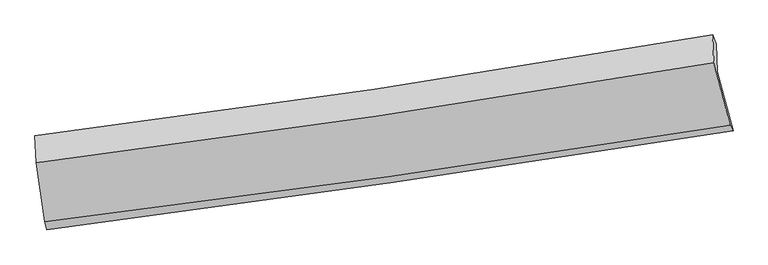
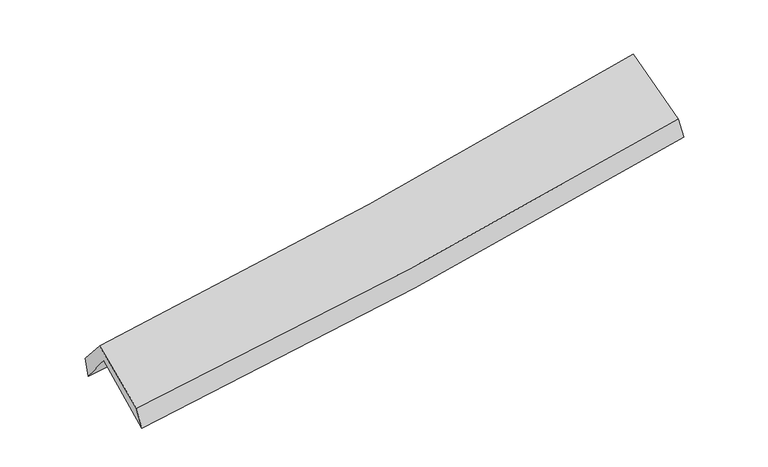
"""IFC4 building model written with IfcOpenShell, lengths in millimetres: proxy geometry."""

from ifc_helpers import new_model, si_unit, frame, origin, place, context, project, spatial, source, transform, mapped, element, save
from ifc_brep_helpers import plane_surface, spline_curve, spline_surface, advanced_brep


def generic_models_48a8f82c(model_context):
    return source(origin(), model_context, "Body", "AdvancedBrep", [
        advanced_brep(
        [(-2950.5574757, -2545.4997208, 1461.3722591), (-3030.1433212, -2003.4000956, 1898.3299103), (2967.7228738, -1152.3969235, 2397.6184214), (3105.3932439, -1670.8157508, 1968.2656167), (-3041.0286533, -1753.2142335, 1578.6672723), (2958.2314376, -907.0121245, 2072.8515947), (-3053.8518751, -1714.4395873, 1753.7586432), (2924.1957258, -825.4157767, 2257.7183472), (-3041.9823682, -1953.2446878, 2029.0395149), (2935.6243041, -1071.559127, 2565.3956759), (-2967.256447, -2474.1398128, 1644.4110086), (3078.5396901, -1623.2246727, 2142.49769)],
        [
            (0, 1),
            (1, 2, spline_curve(3, [(-3030.1433212, -2003.4000956, 1898.3299103), (-2024.511533938, -1884.825671824, 1939.199634806), (-1022.134560236, -1754.664913711, 2001.208873723), (977.161024577, -1471.021584844, 2167.59386843), (1974.072782578, -1317.514618707, 2272.014133301), (2967.7228738, -1152.3969235, 2397.6184214)], [4, 2, 4], [0.0, 10.018674729436686, 20.04789099215368])),
            (2, 3),
            (3, 0, spline_curve(3, [(3105.3932439, -1670.8157508, 1968.2656167), (2100.39175876, -1829.70708958, 1852.683735026), (1092.961819206, -1982.077989996, 1752.637634265), (-925.693522764, -2273.625613542, 1583.705823649), (-1936.913823386, -2412.816036475, 1514.787471294), (-2950.5574757, -2545.4997208, 1461.3722591)], [4, 2, 4], [0.0, 10.029216262716993, 20.04789099215368])),
            (1, 4),
            (4, 5, spline_curve(3, [(-3041.0286533, -1753.2142335, 1578.6672723), (-2035.650818589, -1633.335184063, 1619.740207892), (-1033.284852088, -1502.921437911, 1681.426203714), (966.474852672, -1220.876248973, 1846.110910798), (1963.862249948, -1069.222625183, 1949.153022215), (2958.2314376, -907.0121245, 2072.8515947)], [4, 2, 4], [0.0, 9.969518139849706, 19.949526090986634])),
            (5, 2),
            (4, 6),
            (6, 7, spline_curve(3, [(-3053.8518751, -1714.4395873, 1753.7586432), (-2052.347823638, -1589.720057004, 1811.79706183), (-1053.685616506, -1453.320074722, 1882.78401827), (939.002900736, -1157.003397564, 2050.743323483), (1933.023226989, -997.062109803, 2147.742934808), (2924.1957258, -825.4157767, 2257.7183472)], [4, 2, 4], [0.0, 9.957319034798074, 19.925115045126606])),
            (7, 5),
            (6, 8),
            (8, 9, spline_curve(3, [(-3041.9823682, -1953.2446878, 2029.0395149), (-2041.105368287, -1825.969921708, 2095.459580778), (-1042.793557003, -1688.90252783, 2173.336430796), (949.747401243, -1395.027958959, 2352.097695818), (1943.971147642, -1238.200166133, 2453.006232689), (2935.6243041, -1071.559127, 2565.3956759)], [4, 2, 4], [0.0, 9.946084381268788, 19.902633917095976])),
            (9, 7),
            (8, 10),
            (10, 11, spline_curve(3, [(-2967.256447, -2474.1398128, 1644.4110086), (-1955.101917743, -2351.970939842, 1700.186377188), (-945.471895926, -2220.019340687, 1769.552309551), (1069.798798661, -1936.401558101, 1935.552588712), (2075.434155668, -1784.71477732, 2032.215549871), (3078.5396901, -1623.2246727, 2142.49769)], [4, 2, 4], [0.0, 9.995851070523864, 20.002219659539])),
            (11, 9),
            (10, 0),
            (3, 11),
        ],
        [
            spline_surface(3, 3, [[(-2950.5574757, -2545.4997208, 1461.3722591), (-1936.913823433, -2412.816036421, 1514.787471439), (-925.693522875, -2273.625613509, 1583.705823498), (1092.961819317, -1982.077990029, 1752.637634416), (2100.391758631, -1829.707089567, 1852.683734899), (3105.3932439, -1670.8157508, 1968.2656167)], [(-2977.086090852, -2364.799845725, 1607.024809521), (-1966.113060226, -2236.819248242, 1656.25819256), (-957.840535312, -2100.638713618, 1722.873506888), (1054.36155435, -1811.725854909, 1890.956379097), (2058.285433235, -1658.976265926, 1992.460534366), (3059.503120528, -1498.009475029, 2111.383218289)], [(-3003.614706048, -2184.099970675, 1752.677359879), (-1995.312297063, -2060.822460086, 1797.728913618), (-989.987547693, -1927.651813752, 1862.041190291), (1015.761289439, -1641.373719813, 2029.275123791), (2016.179107855, -1488.245442297, 2132.237333767), (3013.612997172, -1325.203199271, 2254.500819811)], [(-3030.1433212, -2003.4000956, 1898.3299103), (-2024.511533856, -1884.825671906, 1939.199634739), (-1022.13456013, -1754.664913862, 2001.208873682), (977.161024471, -1471.021584693, 2167.593868472), (1974.072782459, -1317.514618656, 2272.014133234), (2967.7228738, -1152.3969235, 2397.6184214)]], [4, 4], [4, 2, 4], [0.0, 2.2002168152403616], [0.0, 10.018674729436686, 20.04789099215368]),
            spline_surface(3, 3, [[(-3030.1433212, -2003.4000956, 1898.3299103), (-2024.511533856, -1884.825671906, 1939.199634739), (-1022.13456013, -1754.664913862, 2001.208873682), (977.161024471, -1471.021584693, 2167.593868472), (1974.072782459, -1317.514618656, 2272.014133234), (2967.7228738, -1152.3969235, 2397.6184214)], [(-3033.77176525, -1920.004808241, 1791.775697635), (-2028.224628811, -1800.99550925, 1832.713159087), (-1025.851324168, -1670.750421875, 1894.614650389), (973.598967258, -1387.639806085, 2060.432882574), (1970.669271659, -1234.750620827, 2164.393762893), (2964.559061741, -1070.601990485, 2289.362812481)], [(-3037.40020925, -1836.609520859, 1685.221484965), (-2031.937723716, -1717.165346572, 1726.22668343), (-1029.568088207, -1586.835929945, 1788.020427061), (970.036910043, -1304.258027535, 1953.271896642), (1967.265760835, -1151.986623044, 2056.77339261), (2961.395249659, -988.807057515, 2181.107203619)], [(-3041.0286533, -1753.2142335, 1578.6672723), (-2035.650818671, -1633.335183916, 1619.740207778), (-1033.284852245, -1502.921437958, 1681.426203768), (966.474852829, -1220.876248926, 1846.110910744), (1963.862250035, -1069.222625214, 1949.153022269), (2958.2314376, -907.0121245, 2072.8515947)]], [4, 4], [4, 2, 4], [0.0, 1.336304454681248], [0.0, 9.969518139849706, 19.949526090986634]),
            spline_surface(3, 3, [[(-3041.0286533, -1753.2142335, 1578.6672723), (-2035.650818671, -1633.335183916, 1619.740207778), (-1033.284852245, -1502.921437958, 1681.426203768), (966.474852829, -1220.876248926, 1846.110910744), (1963.862250035, -1069.222625214, 1949.153022269), (2958.2314376, -907.0121245, 2072.8515947)], [(-3045.303060575, -1740.289351451, 1637.031062576), (-2041.216487034, -1618.79680831, 1683.759159091), (-1040.08510697, -1486.387650241, 1748.545475288), (957.317535446, -1199.585298482, 1914.321714966), (1953.582575683, -1045.16912003, 2015.34965981), (2946.886200333, -879.813341899, 2134.473845555)], [(-3049.577467825, -1727.364469349, 1695.394852924), (-2046.782155372, -1604.258432649, 1747.778110475), (-1046.88536171, -1469.853862467, 1815.664746815), (948.160218048, -1178.29434798, 1982.532519196), (1943.302901331, -1021.115614848, 2081.546297286), (2935.540963067, -852.614559301, 2196.096096345)], [(-3053.8518751, -1714.4395873, 1753.7586432), (-2052.347823735, -1589.720057043, 1811.797061787), (-1053.685616435, -1453.32007475, 1882.784018335), (939.002900664, -1157.003397536, 2050.743323418), (1933.023226979, -997.062109664, 2147.742934827), (2924.1957258, -825.4157767, 2257.7183472)]], [4, 4], [4, 2, 4], [0.0, 0.6959773573664368], [0.0, 9.957319034798074, 19.925115045126606]),
            spline_surface(3, 3, [[(-3053.8518751, -1714.4395873, 1753.7586432), (-2052.347823735, -1589.720057043, 1811.797061787), (-1053.685616435, -1453.32007475, 1882.784018335), (939.002900664, -1157.003397536, 2050.743323418), (1933.023226979, -997.062109664, 2147.742934827), (2924.1957258, -825.4157767, 2257.7183472)], [(-3049.895372789, -1794.041287456, 1845.518933784), (-2048.600338586, -1668.470011947, 1906.351234764), (-1050.05492996, -1531.847559062, 1979.634822506), (942.584400909, -1236.344918017, 2151.194780871), (1936.672533831, -1077.441461834, 2249.497367412), (2928.005251912, -907.463560145, 2360.277456765)], [(-3045.938870511, -1873.642987644, 1937.279224316), (-2044.852853472, -1747.219966885, 2000.905407687), (-1046.424243558, -1610.375043436, 2076.485626672), (946.16590108, -1315.686438559, 2251.646238318), (1940.321840645, -1157.820813969, 2351.251800001), (2931.814777988, -989.511343555, 2462.836566335)], [(-3041.9823682, -1953.2446878, 2029.0395149), (-2041.105368323, -1825.96992179, 2095.459580663), (-1042.793557083, -1688.902527748, 2173.336430843), (949.747401324, -1395.027959041, 2352.097695771), (1943.971147496, -1238.200166139, 2453.006232586), (2935.6243041, -1071.559127, 2565.3956759)]], [4, 4], [4, 2, 4], [0.0, 1.2440628005693728], [0.0, 9.946084381268788, 19.902633917095976]),
            spline_surface(3, 3, [[(-3041.9823682, -1953.2446878, 2029.0395149), (-2041.105368323, -1825.96992179, 2095.459580663), (-1042.793557083, -1688.902527748, 2173.336430843), (949.747401324, -1395.027959041, 2352.097695771), (1943.971147496, -1238.200166139, 2453.006232586), (2935.6243041, -1071.559127, 2565.3956759)], [(-3017.073727811, -2126.876396141, 1900.830012807), (-2012.437551486, -2001.303594521, 1963.701846127), (-1010.353003335, -1865.94146541, 2038.741723761), (989.764533718, -1575.485825378, 2213.249326738), (1987.792150178, -1420.371703169, 2312.742671696), (2983.262766082, -1255.447642213, 2424.429680595)], [(-2992.165087389, -2300.508104459, 1772.620510693), (-1983.769734615, -2176.63726723, 1831.94411157), (-977.912449554, -2042.980403073, 1904.147016675), (1029.781666146, -1755.943691715, 2074.400957703), (2031.613152912, -1602.54324026, 2172.47911082), (3030.901228118, -1439.336157487, 2283.463685305)], [(-2967.256447, -2474.1398128, 1644.4110086), (-1955.101917778, -2351.970939961, 1700.186377034), (-945.471895806, -2220.019340735, 1769.552309593), (1069.798798541, -1936.401558052, 1935.55258867), (2075.434155594, -1784.71477729, 2032.21554993), (3078.5396901, -1623.2246727, 2142.49769)]], [4, 4], [4, 2, 4], [0.0, 2.2435298119062916], [0.0, 9.995851070523864, 20.002219659539]),
            spline_surface(3, 3, [[(-2967.256447, -2474.1398128, 1644.4110086), (-1955.101917778, -2351.970939961, 1700.186377034), (-945.471895806, -2220.019340735, 1769.552309593), (1069.798798541, -1936.401558052, 1935.55258867), (2075.434155594, -1784.71477729, 2032.21554993), (3078.5396901, -1623.2246727, 2142.49769)], [(-2961.690123223, -2497.926448786, 1583.398092076), (-1949.039219653, -2372.252638767, 1638.386741812), (-938.879104829, -2237.888098355, 1707.603480888), (1077.519805466, -1951.627035407, 1874.580937245), (2083.753356609, -1799.712214745, 1972.371611568), (3087.490874703, -1639.088365429, 2084.420332215)], [(-2956.123799477, -2521.713084814, 1522.385175624), (-1942.976521558, -2392.534337615, 1576.587106661), (-932.286313852, -2255.756855889, 1645.654652203), (1085.240812391, -1966.852512675, 1813.609285841), (2092.072557616, -1814.709652112, 1912.527673261), (3096.442059297, -1654.952058071, 2026.342974485)], [(-2950.5574757, -2545.4997208, 1461.3722591), (-1936.913823433, -2412.816036421, 1514.787471439), (-925.693522875, -2273.625613509, 1583.705823498), (1092.961819317, -1982.077990029, 1752.637634416), (2100.391758631, -1829.707089567, 1852.683734899), (3105.3932439, -1670.8157508, 1968.2656167)]], [4, 4], [4, 2, 4], [0.0, 0.630404642919201], [0.0, 10.056510458202276, 20.12360225999957]),
            plane_surface(frame((2994.9512125, -1208.4040625, 2234.057891), z_axis=(0.9792236463057258, 0.17452878941847497, 0.10325091854235949), x_axis=(0.20138869883420277, -0.777377506922443, -0.5959251662020274))),
            plane_surface(frame((-3014.1366901, -2073.9896896, 1727.5964348), z_axis=(-0.9931339935371358, -0.10611711313403359, -0.04923443084954899), x_axis=(-0.08469515408614786, 0.36192878476019014, 0.9283503032995334))),
        ],
        [
            (0, [[1, 2, 3, 4]]),
            (1, [[5, 6, 7, -2]]),
            (2, [[8, 9, 10, -6]]),
            (3, [[11, 12, 13, -9]]),
            (4, [[14, 15, 16, -12]]),
            (5, [[17, -4, 18, -15]]),
            (6, [[-16, -18, -3, -7, -10, -13]]),
            (7, [[-17, -14, -11, -8, -5, -1]]),
        ],
    ),
    ])


if __name__ == "__main__":
    model = new_model("IFC4")
    model_context = context("Model", 3, world=origin())
    ifc_project = project(units=[si_unit("LENGTHUNIT", "METRE", prefix="MILLI")], contexts=[model_context])
    site = spatial("IfcSite", under=ifc_project)
    building = spatial("IfcBuilding", under=site)
    placement = place(None, origin())
    generic_models_shape = generic_models_48a8f82c(model_context)
    element("IfcBuildingElementProxy", 1, Name="Generic Models", at=placement, inside=building, context=model_context, shape_type="MappedRepresentation", body=[
        mapped(generic_models_shape, transform((0.0, 0.0, 0.0), x_axis=(1.0, 0.0, 0.0), y_axis=(0.0, 1.0, 0.0), z_axis=(0.0, 0.0, 1.0))),
    ])
    save(model, "model.ifc")
